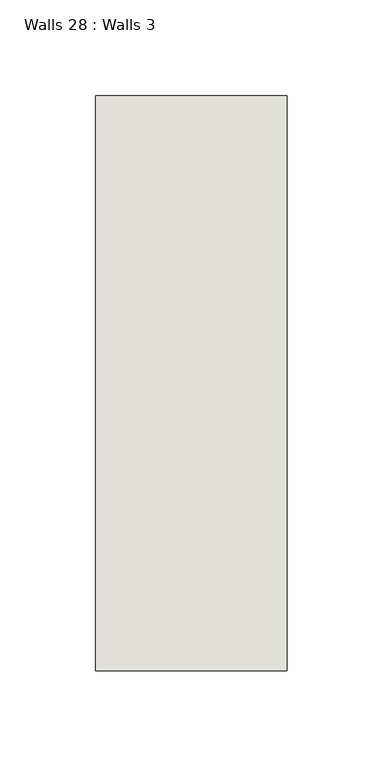
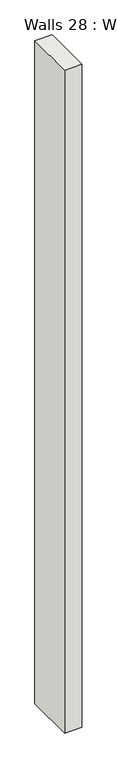
"""IFC4 building model written with IfcOpenShell, lengths in millimetres: wall geometry, Walls 28 : Walls 3."""

from ifc_helpers import new_model, si_unit, origin, origin_with_axes, place, context, project, spatial, polyline, outline, extrude, source, transform, mapped, element, save


def walls_28_walls_3_d15ca0e4(model_context):
    return source(origin(), model_context, "Body", "SweptSolid", [
        extrude(outline(polyline([(-3612.3812655, 1518.41264), (-3612.3812655, 1818.41264), (-3512.3812655, 1818.41264), (-3512.3812655, 1518.41264), (-3612.3812655, 1518.41264)])), origin_with_axes(), (0.0, 0.0, 1.0), 4085.1192828),
    ])


if __name__ == "__main__":
    model = new_model("IFC4")
    model_context = context("Model", 3, world=origin())
    ifc_project = project(units=[si_unit("LENGTHUNIT", "METRE", prefix="MILLI")], contexts=[model_context])
    site = spatial("IfcSite", under=ifc_project)
    building = spatial("IfcBuilding", under=site)
    placement = place(None, origin())
    walls_28_walls_3_shape = walls_28_walls_3_d15ca0e4(model_context)
    element("IfcWall", 1, ObjectType="Walls 28 : Walls 3", at=placement, inside=building, context=model_context, shape_type="MappedRepresentation", body=[
        mapped(walls_28_walls_3_shape, transform((0.0, 0.0, 0.0), x_axis=(1.0, 0.0, 0.0), y_axis=(0.0, 1.0, 0.0), z_axis=(0.0, 0.0, 1.0))),
    ])
    save(model, "model.ifc")
